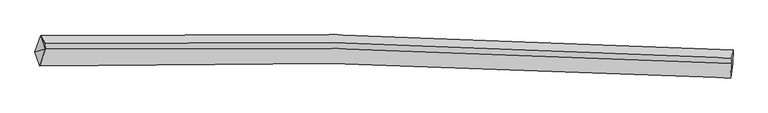
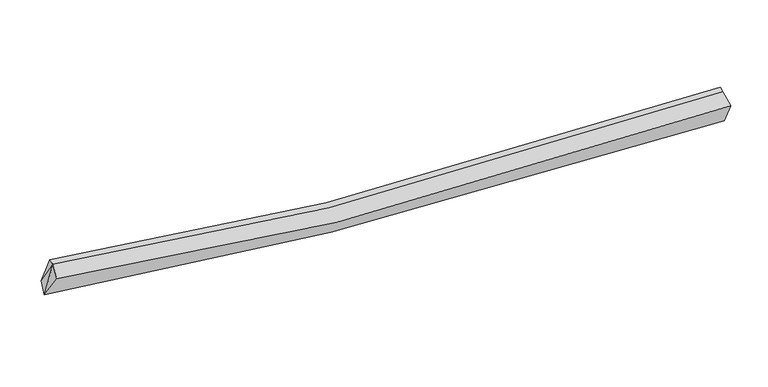
"""IFC4 building model written with IfcOpenShell, lengths in millimetres: proxy geometry."""

from ifc_helpers import new_model, si_unit, frame, origin, place, context, project, spatial, source, transform, mapped, element, save
from ifc_brep_helpers import plane_surface, spline_curve, spline_surface, advanced_brep


def generic_models_ef928117(model_context):
    return source(origin(), model_context, "Body", "AdvancedBrep", [
        advanced_brep(
        [(-7763.2997612, -2006.3796128, 3355.1751814), (-7619.5898675, -1608.5292521, 3446.2838618), (9418.6522692, -1959.4889991, 2376.2209028), (9408.5983388, -2295.0820894, 2212.5488072), (-7644.0071901, -2354.4372728, 3954.0972478), (9356.4369248, -2658.1085598, 2855.2703399), (-7511.4225376, -1939.4307061, 4052.6080791), (9368.8306226, -2291.2301931, 3006.3523047), (-7506.1217694, -1805.3435202, 4092.5145749), (9374.1313908, -2157.1430072, 3046.2588006)],
        [
            (0, 1),
            (1, 2, spline_curve(3, [(-7619.5898675, -1608.5292521, 3446.2838618), (-5273.700192127, -1559.522987297, 3002.79983067), (-2908.041344389, -1551.929397273, 2682.847708458), (2753.845611076, -1632.200042358, 2216.638276808), (6067.600808921, -1756.780214221, 2179.902746231), (9418.6522692, -1959.4889991, 2376.2209028)], [4, 2, 4], [0.0, 23.7272099279409, 56.31726434148304])),
            (2, 3),
            (3, 0, spline_curve(3, [(9408.5983388, -2295.0820894, 2212.5488072), (6106.732162341, -2215.791671117, 2190.186370066), (2798.779879783, -2150.158831075, 2308.311723478), (-2928.04627103, -2060.342944699, 2755.208331984), (-5344.060022374, -2029.741626167, 3017.95843711), (-7763.2997612, -2006.3796128, 3355.1751814)], [4, 2, 4], [0.0, 32.590054413542134, 56.31726434148304])),
            (4, 0),
            (3, 5),
            (5, 4, spline_curve(3, [(9356.4369248, -2658.1085598, 2855.2703399), (6084.559750924, -2450.877659472, 2629.735806645), (2808.380975766, -2329.670888375, 2657.372899364), (-2860.455233371, -2268.87350006, 3142.62458251), (-5251.091163412, -2288.856509047, 3481.263126708), (-7644.0071901, -2354.4372728, 3954.0972478)], [4, 2, 4], [0.0, 32.55943944112926, 56.2643601188541])),
            (6, 4),
            (5, 7),
            (7, 6, spline_curve(3, [(9368.8306226, -2291.2301931, 3006.3523047), (6071.716060728, -2096.902254632, 2803.273581224), (2798.320888812, -1975.759308056, 2834.503292443), (-2817.28342017, -1892.885533541, 3293.36665462), (-5170.639301798, -1896.761984308, 3610.8888682), (-7511.4225376, -1939.4307061, 4052.6080791)], [4, 2, 4], [0.0, 32.30657484274204, 55.82739728813054])),
            (8, 6),
            (7, 9),
            (9, 8, spline_curve(3, [(9374.1313908, -2157.1430072, 3046.2588006), (6077.316389463, -1955.237448106, 2845.435298343), (2804.0474264, -1830.901949651, 2877.615164602), (-2811.638348225, -1750.088903698, 3335.86522025), (-5165.120438744, -1757.157906914, 3652.437279234), (-7506.1217694, -1805.3435202, 4092.5145749)], [4, 2, 4], [0.0, 32.18504248444169, 55.61738321875849])),
            (1, 8),
            (9, 2),
            (1, 6),
            (6, 0),
        ],
        [
            spline_surface(3, 3, [[(-7763.2997612, -2006.3796128, 3355.1751814), (-5344.060022655, -2029.741626495, 3017.958436865), (-2928.046271305, -2060.34294495, 2755.208332233), (2798.77988016, -2150.158830731, 2308.311723136), (6106.732162124, -2215.791671134, 2190.186369737), (9408.5983388, -2295.0820894, 2212.5488072)], [(-7715.39646331, -1873.762825899, 3385.544741516), (-5320.606745814, -1873.002079966, 3012.905568056), (-2921.377962332, -1890.87176249, 2731.088124288), (2783.801790428, -1977.505901152, 2277.753907733), (6093.688377668, -2062.78785197, 2186.758495165), (9411.949648913, -2183.21772595, 2267.106172399)], [(-7667.49316539, -1741.146039001, 3415.914301684), (-5297.153468945, -1716.262533439, 3007.852699299), (-2914.709653314, -1721.400580011, 2706.967916327), (2768.823700742, -1804.852971555, 2247.196092315), (6080.644593273, -1909.784032856, 2183.330620597), (9415.300959087, -2071.35336255, 2321.663537601)], [(-7619.5898675, -1608.5292521, 3446.2838618), (-5273.700192104, -1559.52298691, 3002.799830491), (-2908.041344342, -1551.929397551, 2682.847708382), (2753.84561101, -1632.200041976, 2216.638276912), (6067.600808817, -1756.780213692, 2179.902746025), (9418.6522692, -1959.4889991, 2376.2209028)]], [4, 4], [4, 2, 4], [0.0, 1.698558035550685], [0.0, 23.7272099279409, 56.31726434148304]),
            spline_surface(3, 3, [[(-7644.0071901, -2354.4372728, 3954.0972478), (-5251.091163276, -2288.856509163, 3481.263126454), (-2860.455233387, -2268.873500093, 3142.624582725), (2808.380975788, -2329.67088833, 2657.372899067), (6084.559750877, -2450.87765973, 2629.735806822), (9356.4369248, -2658.1085598, 2855.2703399)], [(-7683.771380483, -2238.418052786, 3754.456559008), (-5282.080783086, -2202.484881593, 3326.828229931), (-2882.985579356, -2199.363315019, 3013.485832554), (2805.180610582, -2269.833535771, 2541.019173749), (6091.950554625, -2372.51566352, 2483.219327779), (9373.824062799, -2537.099736322, 2641.029828986)], [(-7723.535570817, -2122.398832814, 3554.815870192), (-5313.070402846, -2116.113254065, 3172.393333387), (-2905.515925335, -2129.853130024, 2884.347082405), (2801.980245366, -2209.996183291, 2424.665448454), (6099.341358376, -2294.153667344, 2336.702848779), (9391.211200801, -2416.090912878, 2426.789318114)], [(-7763.2997612, -2006.3796128, 3355.1751814), (-5344.060022655, -2029.741626495, 3017.958436865), (-2928.046271305, -2060.34294495, 2755.208332233), (2798.77988016, -2150.158830731, 2308.311723136), (6106.732162124, -2215.791671134, 2190.186369737), (9408.5983388, -2295.0820894, 2212.5488072)]], [4, 4], [4, 2, 4], [0.0, 1.368790433825548], [0.0, 23.70492067772484, 56.2643601188541]),
            spline_surface(3, 3, [[(-7511.4225376, -1939.4307061, 4052.6080791), (-5170.639302039, -1896.761984398, 3610.88886811), (-2817.283420337, -1892.885533453, 3293.366654419), (2798.320889041, -1975.759308177, 2834.503292719), (6071.716060739, -2096.902254796, 2803.273581576), (9368.8306226, -2291.2301931, 3006.3523047)], [(-7555.617421753, -2077.766228329, 4019.771135355), (-5197.456589105, -2027.460159315, 3567.68028758), (-2831.6740247, -2018.214855675, 3243.119297195), (2801.674251277, -2093.729834903, 2775.459828176), (6075.997290793, -2214.894056442, 2745.427656667), (9364.699390008, -2413.522982001, 2955.991649776)], [(-7599.812305947, -2216.101750571, 3986.934191545), (-5224.273876211, -2158.158334246, 3524.471706984), (-2846.064629024, -2143.544177871, 3192.871939949), (2805.027613552, -2211.700361604, 2716.41636361), (6080.278520823, -2332.885858084, 2687.581731731), (9360.568157392, -2535.815770899, 2905.630994824)], [(-7644.0071901, -2354.4372728, 3954.0972478), (-5251.091163276, -2288.856509163, 3481.263126454), (-2860.455233387, -2268.873500093, 3142.624582725), (2808.380975788, -2329.67088833, 2657.372899067), (6084.559750877, -2450.87765973, 2629.735806822), (9356.4369248, -2658.1085598, 2855.2703399)]], [4, 4], [4, 2, 4], [0.0, 1.3089602841038557], [0.0, 23.520822445388504, 55.82739728813054]),
            spline_surface(3, 3, [[(-7506.1217694, -1805.3435202, 4092.5145749), (-5165.1204387, -1757.157906894, 3652.437279283), (-2811.63834823, -1750.088903843, 3335.865220265), (2804.047426407, -1830.901949452, 2877.615164581), (6077.316389337, -1955.237448177, 2845.435298866), (9374.1313908, -2157.1430072, 3046.2588006)], [(-7507.888692126, -1850.03924886, 4079.212409611), (-5166.960059806, -1803.692599422, 3638.587808869), (-2813.520038925, -1797.687780387, 3321.69903163), (2802.138580626, -1879.187735701, 2863.244540608), (6075.449613144, -2002.45905041, 2831.381393114), (9372.364468074, -2201.83873586, 3032.956635311)], [(-7509.655614874, -1894.73497744, 4065.910244389), (-5168.799680933, -1850.227291869, 3624.738338524), (-2815.401729642, -1845.286656909, 3307.532843054), (2800.229734822, -1927.473521928, 2848.873916692), (6073.582836931, -2049.680652563, 2817.327487329), (9370.597545326, -2246.53446444, 3019.654469989)], [(-7511.4225376, -1939.4307061, 4052.6080791), (-5170.639302039, -1896.761984398, 3610.88886811), (-2817.283420337, -1892.885533453, 3293.366654419), (2798.320889041, -1975.759308177, 2834.503292719), (6071.716060739, -2096.902254796, 2803.273581576), (9368.8306226, -2291.2301931, 3006.3523047)]], [4, 4], [4, 2, 4], [0.0, 0.4929591656123279], [0.0, 23.432340734316803, 55.61738321875849]),
            spline_surface(3, 3, [[(-7619.5898675, -1608.5292521, 3446.2838618), (-5273.700192104, -1559.52298691, 3002.799830491), (-2908.041344342, -1551.929397551, 2682.847708382), (2753.84561101, -1632.200041976, 2216.638276912), (6067.600808817, -1756.780213692, 2179.902746025), (9418.6522692, -1959.4889991, 2376.2209028)], [(-7581.767168128, -1674.134008125, 3661.69409951), (-5237.506940964, -1625.401293563, 3219.345646765), (-2875.907012286, -1617.982566319, 2900.520212357), (2770.579549493, -1698.434011139, 2436.963906149), (6070.839335664, -1822.932625187, 2401.746930301), (9403.811976407, -2025.373668466, 2599.566868729)], [(-7543.944468772, -1739.738764175, 3877.10433719), (-5201.31368984, -1691.279600241, 3435.891463009), (-2843.772680285, -1684.035735075, 3118.192716289), (2787.313487923, -1764.667980289, 2657.289535344), (6074.07786249, -1889.085036682, 2623.59111459), (9388.971683593, -2091.258337834, 2822.912834671)], [(-7506.1217694, -1805.3435202, 4092.5145749), (-5165.1204387, -1757.157906894, 3652.437279283), (-2811.63834823, -1750.088903843, 3335.865220265), (2804.047426407, -1830.901949452, 2877.615164581), (6077.316389337, -1955.237448177, 2845.435298866), (9374.1313908, -2157.1430072, 3046.2588006)]], [4, 4], [4, 2, 4], [0.0, 2.2657886799389026], [0.0, 23.542280504536432, 55.87832865313128]),
            plane_surface(frame((9385.3299092, -2272.2105697, 2699.330231), z_axis=(0.9972568884921422, -0.054371304250051815, 0.050224094109497255), x_axis=(-0.03122134397201035, -0.9242145394371755, -0.38059520855301254))),
            plane_surface(frame((-7545.7113915, -1784.4344928, 3863.8021719), z_axis=(-0.9854580353869438, -0.01149734085584573, 0.16952955979577666), x_axis=(0.15471036295649757, -0.4732841615811809, 0.8672178538235173))),
            plane_surface(frame((-7639.5764963, -2100.0825306, 3787.2935028), z_axis=(-0.9238738297667956, 0.22099051991928437, 0.31244253356071505), x_axis=(0.1697124355060709, -0.4951667368163804, 0.8520607912497883))),
            plane_surface(frame((-7631.4373888, -1851.4465237, 3618.0223741), z_axis=(-0.915727070615519, 0.260773439454392, 0.30568144434532996), x_axis=(-0.3321156944738335, -0.919438080884646, -0.21055351078365486))),
        ],
        [
            (0, [[1, 2, 3, 4]]),
            (1, [[5, -4, 6, 7]]),
            (2, [[8, -7, 9, 10]]),
            (3, [[11, -10, 12, 13]]),
            (4, [[14, -13, 15, -2]]),
            (5, [[-9, -6, -3, -15, -12]]),
            (6, [[16, -11, -14]]),
            (7, [[-5, -8, 17]]),
            (8, [[-1, -17, -16]]),
        ],
    ),
    ])


if __name__ == "__main__":
    model = new_model("IFC4")
    model_context = context("Model", 3, world=origin())
    ifc_project = project(units=[si_unit("LENGTHUNIT", "METRE", prefix="MILLI")], contexts=[model_context])
    site = spatial("IfcSite", under=ifc_project)
    building = spatial("IfcBuilding", under=site)
    placement = place(None, origin())
    generic_models_shape = generic_models_ef928117(model_context)
    element("IfcBuildingElementProxy", 1, Name="Generic Models", at=placement, inside=building, context=model_context, shape_type="MappedRepresentation", body=[
        mapped(generic_models_shape, transform((0.0, 0.0, 0.0), x_axis=(1.0, 0.0, 0.0), y_axis=(0.0, 1.0, 0.0), z_axis=(0.0, 0.0, 1.0))),
    ])
    save(model, "model.ifc")
